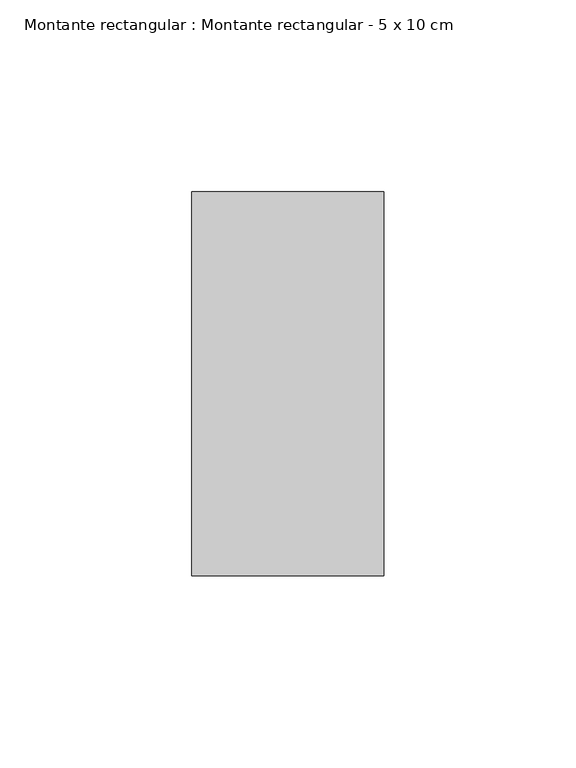
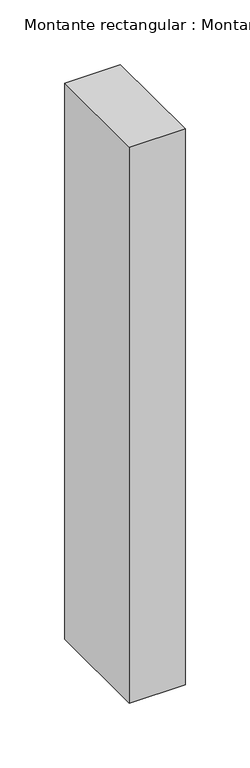
"""IFC4 building model written with IfcOpenShell, lengths in millimetres: member geometry, Montante rectangular : Montante rectangular - 5 x 10 cm."""

from ifc_helpers import new_model, si_unit, frame, origin, place, context, project, spatial, polyline, outline, extrude, source, transform, mapped, element, save


def montante_rectangular_montante_rectangular_5_x_10_cm_e5385ab2(model_context):
    return source(origin(), model_context, "Body", "SweptSolid", [
        extrude(outline(polyline([(0.0, 50.0), (0.0, -50.0), (-50.0, -50.0), (-50.0, 50.0), (0.0, 50.0)])), frame((0.0, 0.0, -526.0), z_axis=(0.0, 0.0, 1.0), x_axis=(1.0, 0.0, 0.0)), (0.0, 0.0, 1.0), 526.0),
    ])


if __name__ == "__main__":
    model = new_model("IFC4")
    model_context = context("Model", 3, world=origin())
    ifc_project = project(units=[si_unit("LENGTHUNIT", "METRE", prefix="MILLI")], contexts=[model_context])
    site = spatial("IfcSite", under=ifc_project)
    building = spatial("IfcBuilding", under=site)
    placement = place(None, origin())
    montante_rectangular_montante_rectangular_5_x_10_cm_shape = montante_rectangular_montante_rectangular_5_x_10_cm_e5385ab2(model_context)
    element("IfcMember", 1, ObjectType="Montante rectangular : Montante rectangular - 5 x 10 cm", at=placement, inside=building, context=model_context, shape_type="MappedRepresentation", body=[
        mapped(montante_rectangular_montante_rectangular_5_x_10_cm_shape, transform((0.0, 0.0, 0.0), x_axis=(1.0, 0.0, 0.0), y_axis=(0.0, 1.0, 0.0), z_axis=(0.0, 0.0, 1.0))),
    ])
    save(model, "model.ifc")
